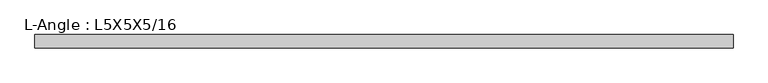
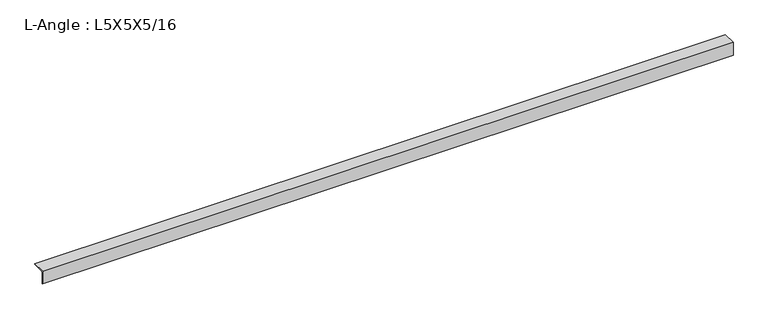
"""IFC4 building model written with IfcOpenShell, lengths in millimetres: beam geometry, L-Angle : L5X5X5/16."""

from ifc_helpers import new_model, si_unit, point, frame, frame_2d, origin, place, context, project, spatial, polyline, circle_curve, trimmed, segment, composite_curve, outline, extrude, source, transform, mapped, element, save


def l_angle_l5x5x5_16_76a7e5db(model_context):
    return source(origin(), model_context, "Body", "SweptSolid", [
        extrude(outline(composite_curve([segment(polyline([(-34.3296875, 34.3296875), (92.6703125, 34.3296875)]), True, "CONTINUOUS"), segment(trimmed(circle_curve(frame_2d((84.7328125, 34.3296875)), 7.9375), [point((92.6703125, 34.3296875))], [point((84.7328125, 26.3921875))], False, "CARTESIAN"), True, "CONTINUOUS"), segment(polyline([(84.7328125, 26.3921875), (-18.4546875, 26.3921875)]), True, "CONTINUOUS"), segment(trimmed(circle_curve(frame_2d((-18.4546875, 18.4546875)), 7.9375), [point((-18.4546875, 26.3921875))], [point((-26.3921875, 18.4546875))], True, "CARTESIAN"), True, "CONTINUOUS"), segment(polyline([(-26.3921875, 18.4546875), (-26.3921875, -84.7328125)]), True, "CONTINUOUS"), segment(trimmed(circle_curve(frame_2d((-34.3296875, -84.7328125)), 7.9375), [point((-26.3921875, -84.7328125))], [point((-34.3296875, -92.6703125))], False, "CARTESIAN"), True, "CONTINUOUS"), segment(polyline([(-34.3296875, -92.6703125), (-34.3296875, 34.3296875)]), True, "CONTINUOUS")], self_intersect=False)), frame((-3343.8703125, 0.0, 0.0), z_axis=(1.0, 0.0, 0.0), x_axis=(0.0, 1.0, 0.0)), (0.0, 0.0, 1.0), 6629.4),
    ])


if __name__ == "__main__":
    model = new_model("IFC4")
    model_context = context("Model", 3, world=origin())
    ifc_project = project(units=[si_unit("LENGTHUNIT", "METRE", prefix="MILLI")], contexts=[model_context])
    site = spatial("IfcSite", under=ifc_project)
    building = spatial("IfcBuilding", under=site)
    placement = place(None, origin())
    l_angle_l5x5x5_16_shape = l_angle_l5x5x5_16_76a7e5db(model_context)
    element("IfcBeam", 1, ObjectType="L-Angle : L5X5X5/16", at=placement, inside=building, context=model_context, shape_type="MappedRepresentation", body=[
        mapped(l_angle_l5x5x5_16_shape, transform((0.0, 0.0, 0.0), x_axis=(1.0, 0.0, 0.0), y_axis=(0.0, 1.0, 0.0), z_axis=(0.0, 0.0, 1.0))),
    ])
    save(model, "model.ifc")
